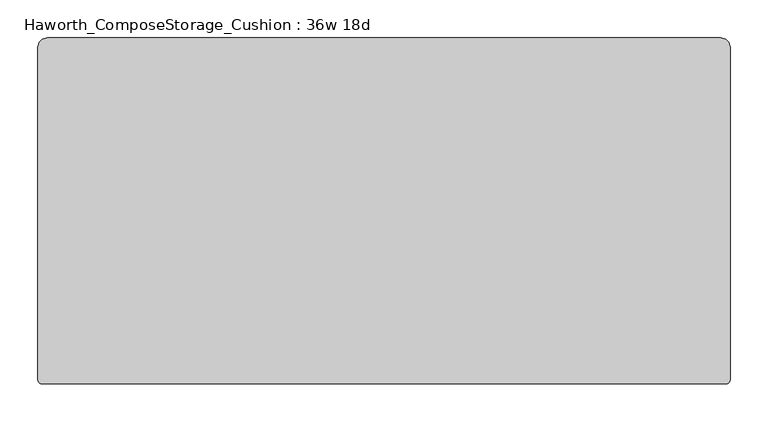
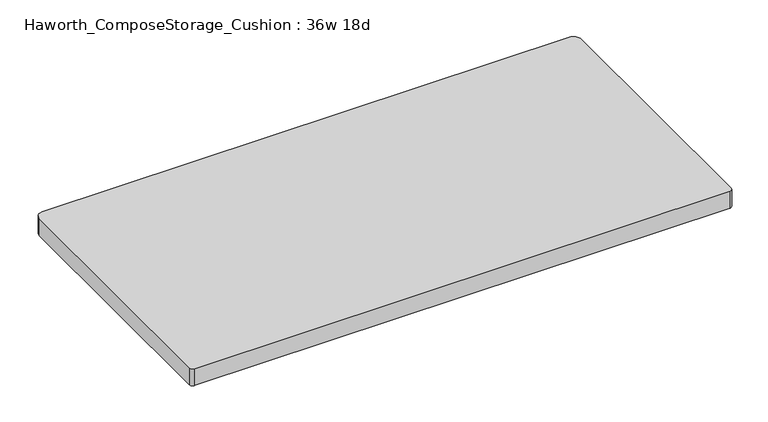
"""IFC4 building model written with IfcOpenShell, lengths in millimetres: furniture geometry, Haworth_ComposeStorage_Cushion : 36w 18d."""

from ifc_helpers import new_model, si_unit, point, frame, frame_2d, origin, place, context, project, spatial, polyline, circle_curve, trimmed, segment, composite_curve, outline, extrude, source, transform, mapped, element, save


def haworth_composestorage_cushion_36w_18d_2d4f932b(model_context):
    return source(origin(), model_context, "Body", "SweptSolid", [
        extrude(outline(composite_curve([segment(trimmed(circle_curve(frame_2d((444.5, 215.9)), 12.7), [point((444.5, 228.6))], [point((457.2, 215.9))], False, "CARTESIAN"), True, "CONTINUOUS"), segment(polyline([(457.2, 215.9), (457.2, -222.6870224)]), True, "CONTINUOUS"), segment(trimmed(circle_curve(frame_2d((451.2870224, -222.6870224)), 5.9129776), [point((457.2, -222.6870224))], [point((451.2870224, -228.6))], False, "CARTESIAN"), True, "CONTINUOUS"), segment(polyline([(451.2870224, -228.6), (-451.2870224, -228.6)]), True, "CONTINUOUS"), segment(trimmed(circle_curve(frame_2d((-451.2870224, -222.6870224)), 5.9129776), [point((-451.2870224, -228.6))], [point((-457.2, -222.6870224))], False, "CARTESIAN"), True, "CONTINUOUS"), segment(polyline([(-457.2, -222.6870224), (-457.2, 215.9)]), True, "CONTINUOUS"), segment(trimmed(circle_curve(frame_2d((-444.5, 215.9)), 12.7), [point((-457.2, 215.9))], [point((-444.5, 228.6))], False, "CARTESIAN"), True, "CONTINUOUS"), segment(polyline([(-444.5, 228.6), (444.5, 228.6)]), True, "CONTINUOUS")], self_intersect=False)), frame((0.0, 0.0, 609.6), z_axis=(0.0, 0.0, 1.0), x_axis=(1.0, 0.0, 0.0)), (0.0, 0.0, 1.0), 30.1625),
    ])


if __name__ == "__main__":
    model = new_model("IFC4")
    model_context = context("Model", 3, world=origin())
    ifc_project = project(units=[si_unit("LENGTHUNIT", "METRE", prefix="MILLI")], contexts=[model_context])
    site = spatial("IfcSite", under=ifc_project)
    building = spatial("IfcBuilding", under=site)
    placement = place(None, origin())
    haworth_composestorage_cushion_36w_18d_shape = haworth_composestorage_cushion_36w_18d_2d4f932b(model_context)
    element("IfcFurniture", 1, ObjectType="Haworth_ComposeStorage_Cushion : 36w 18d", at=placement, inside=building, context=model_context, shape_type="MappedRepresentation", body=[
        mapped(haworth_composestorage_cushion_36w_18d_shape, transform((0.0, 0.0, 0.0), x_axis=(1.0, 0.0, 0.0), y_axis=(0.0, 1.0, 0.0), z_axis=(0.0, 0.0, 1.0))),
    ])
    save(model, "model.ifc")
